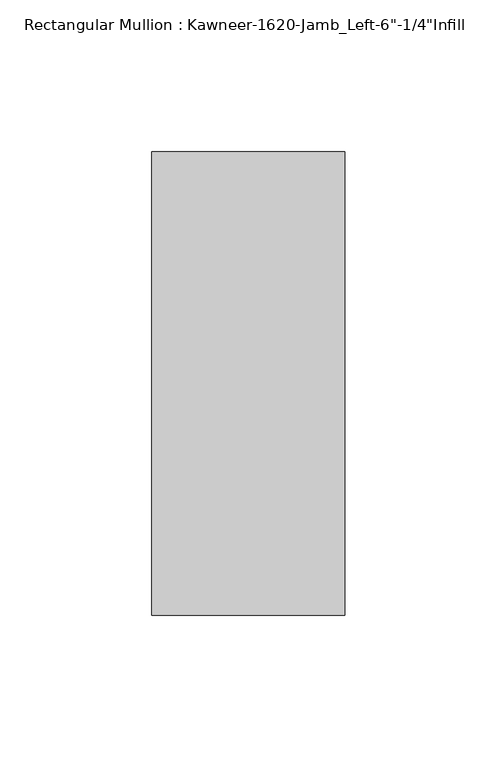
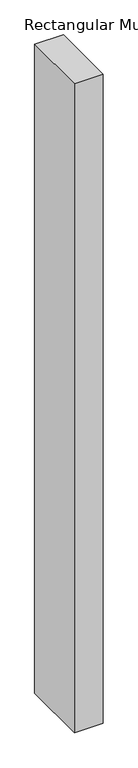
"""IFC4 building model written with IfcOpenShell, lengths in millimetres: member geometry."""

from ifc_helpers import new_model, si_unit, frame, origin, place, context, project, spatial, polyline, outline, extrude, source, transform, mapped, element, save


def member_7e8a6f1a(model_context):
    return source(origin(), model_context, "Body", "SweptSolid", [
        extrude(outline(polyline([(-63.5, 28.575), (0.0, 28.575), (0.0, -123.825), (-63.5, -123.825), (-63.5, 28.575)])), frame((0.0, 0.0, -1524.0), z_axis=(0.0, 0.0, 1.0), x_axis=(1.0, 0.0, 0.0)), (0.0, 0.0, 1.0), 1524.0),
    ])


if __name__ == "__main__":
    model = new_model("IFC4")
    model_context = context("Model", 3, world=origin())
    ifc_project = project(units=[si_unit("LENGTHUNIT", "METRE", prefix="MILLI")], contexts=[model_context])
    site = spatial("IfcSite", under=ifc_project)
    building = spatial("IfcBuilding", under=site)
    placement = place(None, origin())
    member_shape = member_7e8a6f1a(model_context)
    element("IfcMember", 1, ObjectType="Rectangular Mullion : Kawneer-1620-Jamb_Left-6\"-1/4\"Infill", at=placement, inside=building, context=model_context, shape_type="MappedRepresentation", body=[
        mapped(member_shape, transform((0.0, 0.0, 0.0), x_axis=(1.0, 0.0, 0.0), y_axis=(0.0, 1.0, 0.0), z_axis=(0.0, 0.0, 1.0))),
    ])
    save(model, "model.ifc")
